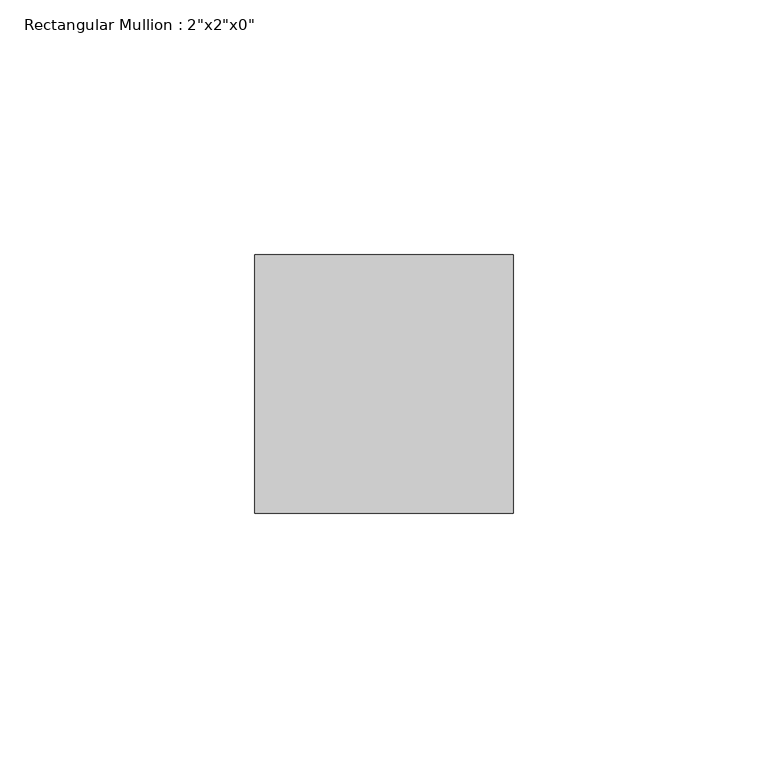
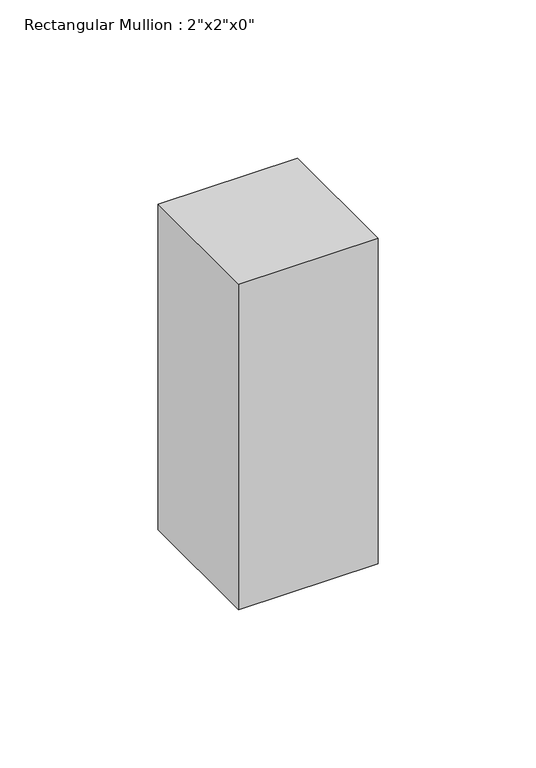
"""IFC4 building model written with IfcOpenShell, lengths in millimetres: member geometry."""

from ifc_helpers import new_model, si_unit, frame, origin, place, context, project, spatial, polyline, outline, extrude, source, transform, mapped, element, save


def member_bb7a580a(model_context):
    return source(origin(), model_context, "Body", "SweptSolid", [
        extrude(outline(polyline([(0.0, 25.4), (0.0, -25.4), (-50.8, -25.4), (-50.8, 25.4), (0.0, 25.4)])), frame((0.0, 0.0, -125.4413732), z_axis=(0.0, 0.0, 1.0), x_axis=(1.0, 0.0, 0.0)), (0.0, 0.0, 1.0), 125.4413732),
    ])


if __name__ == "__main__":
    model = new_model("IFC4")
    model_context = context("Model", 3, world=origin())
    ifc_project = project(units=[si_unit("LENGTHUNIT", "METRE", prefix="MILLI")], contexts=[model_context])
    site = spatial("IfcSite", under=ifc_project)
    building = spatial("IfcBuilding", under=site)
    placement = place(None, origin())
    member_shape = member_bb7a580a(model_context)
    element("IfcMember", 1, ObjectType="Rectangular Mullion : 2\"x2\"x0\"", at=placement, inside=building, context=model_context, shape_type="MappedRepresentation", body=[
        mapped(member_shape, transform((0.0, 0.0, 0.0), x_axis=(1.0, 0.0, 0.0), y_axis=(0.0, 1.0, 0.0), z_axis=(0.0, 0.0, 1.0))),
    ])
    save(model, "model.ifc")
